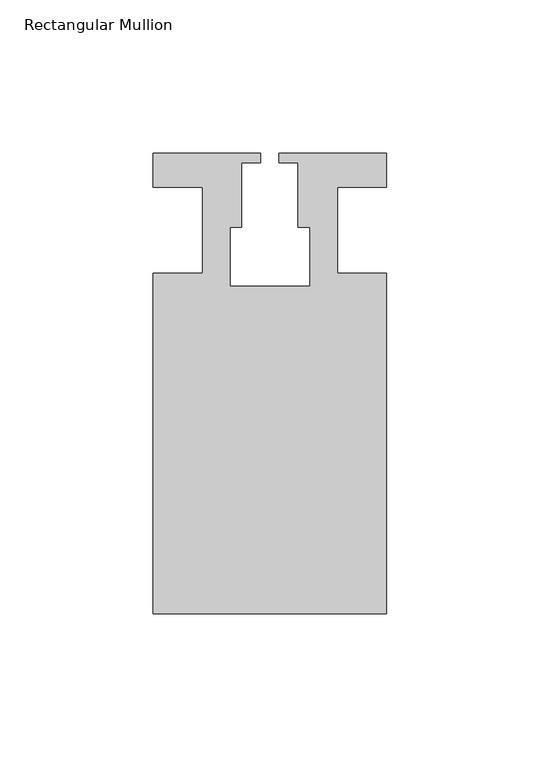
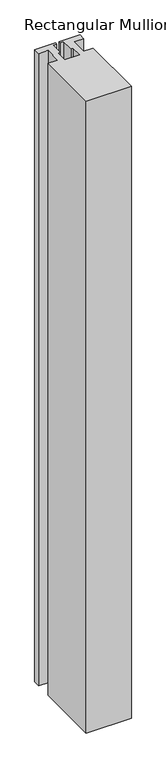
"""IFC4 building model written with IfcOpenShell, lengths in millimetres: member geometry, Rectangular Mullion."""

from ifc_helpers import new_model, si_unit, frame, origin, place, context, project, spatial, polyline, outline, extrude, source, transform, mapped, element, save


def rectangular_mullion_d23dd2d4(model_context):
    return source(origin(), model_context, "Body", "SweptSolid", [
        extrude(outline(polyline([(37.9999914, -124.9960123), (-37.9999896, -124.9960123), (-37.9999896, -13.9959029), (-21.9999633, -13.9959029), (-21.9999633, 14.0039877), (-37.9999896, 14.0039877), (-37.9999896, 25.0039877), (-2.9999896, 25.0039877), (-2.9999896, 22.0039877), (-9.1999633, 22.0039877), (-9.1999633, 1.0039877), (-12.9999633, 1.0039877), (-12.9999633, -18.1960075), (12.9999651, -18.1960075), (12.9999651, 1.0039877), (9.1999651, 1.0039877), (9.1999651, 22.0039877), (2.9999651, 22.0039877), (2.9999651, 25.0039877), (37.9999896, 25.0039877), (37.9999896, 14.0039877), (21.9999651, 14.0039877), (21.9999651, -13.9960123), (37.9999914, -13.9960123), (37.9999914, -124.9960123)])), frame((0.0, 0.0, -1124.0099627), z_axis=(0.0, 0.0, 1.0), x_axis=(1.0, 0.0, 0.0)), (0.0, 0.0, 1.0), 1124.0099627),
    ])


if __name__ == "__main__":
    model = new_model("IFC4")
    model_context = context("Model", 3, world=origin())
    ifc_project = project(units=[si_unit("LENGTHUNIT", "METRE", prefix="MILLI")], contexts=[model_context])
    site = spatial("IfcSite", under=ifc_project)
    building = spatial("IfcBuilding", under=site)
    placement = place(None, origin())
    rectangular_mullion_shape = rectangular_mullion_d23dd2d4(model_context)
    element("IfcMember", 1, ObjectType="Rectangular Mullion", at=placement, inside=building, context=model_context, shape_type="MappedRepresentation", body=[
        mapped(rectangular_mullion_shape, transform((0.0, 0.0, 0.0), x_axis=(1.0, 0.0, 0.0), y_axis=(0.0, 1.0, 0.0), z_axis=(0.0, 0.0, 1.0))),
    ])
    save(model, "model.ifc")
